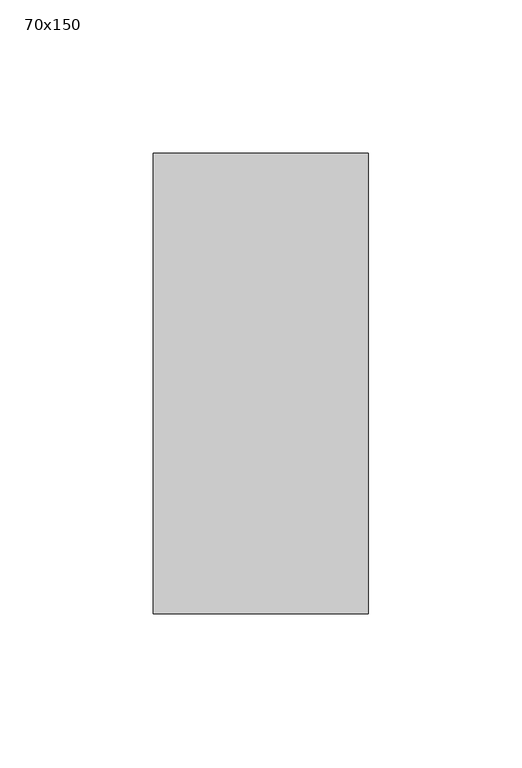
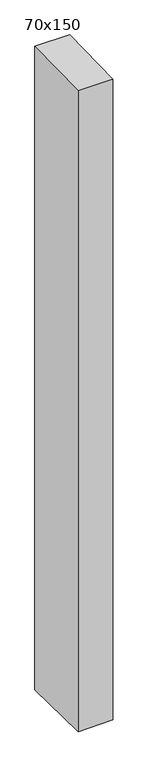
"""IFC4 building model written with IfcOpenShell, lengths in millimetres: member geometry, 70x150."""

from ifc_helpers import new_model, si_unit, frame, origin, place, context, project, spatial, polyline, outline, extrude, source, transform, mapped, element, save


def member_70x150_61e359ef(model_context):
    return source(origin(), model_context, "Body", "SweptSolid", [
        extrude(outline(polyline([(-75.0, -1.7584954), (75.0, 1.7584954), (75.0, -1365.5340075), (-75.0, -1363.2676019), (-75.0, -1.7584954)])), frame((-70.0, 0.0, 0.0), z_axis=(1.0, 0.0, 0.0), x_axis=(0.0, 1.0, 0.0)), (0.0, 0.0, 1.0), 70.0),
    ])


if __name__ == "__main__":
    model = new_model("IFC4")
    model_context = context("Model", 3, world=origin())
    ifc_project = project(units=[si_unit("LENGTHUNIT", "METRE", prefix="MILLI")], contexts=[model_context])
    site = spatial("IfcSite", under=ifc_project)
    building = spatial("IfcBuilding", under=site)
    placement = place(None, origin())
    member_70x150_shape = member_70x150_61e359ef(model_context)
    element("IfcMember", 1, ObjectType="70x150", at=placement, inside=building, context=model_context, shape_type="MappedRepresentation", body=[
        mapped(member_70x150_shape, transform((0.0, 0.0, 0.0), x_axis=(1.0, 0.0, 0.0), y_axis=(0.0, 1.0, 0.0), z_axis=(0.0, 0.0, 1.0))),
    ])
    save(model, "model.ifc")
